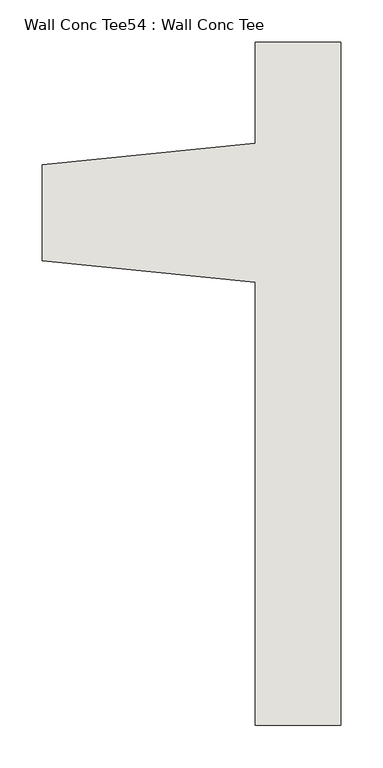
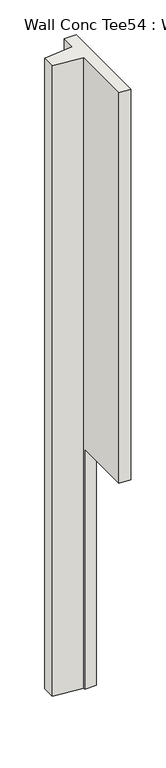
"""IFC4 building model written with IfcOpenShell, lengths in millimetres: wall geometry, Wall Conc Tee54 : Wall Conc Tee."""

from ifc_helpers import new_model, si_unit, origin, place, context, project, spatial, faceted_brep, source, transform, mapped, element, save


def wall_conc_tee54_wall_conc_tee_e5568f6d(model_context):
    return source(origin(), model_context, "Body", "Brep", [
        faceted_brep([(204051.6728488, 180328.0596581, 5884.1592564), (204051.6728488, 181140.8596581, 5884.1592564), (203950.0728488, 181140.8596581, 5884.1592564), (203950.0728488, 181020.2096581, 5884.1592564), (203696.0728488, 180994.8096581, 5884.1592564), (203696.0728488, 180880.5096581, 5884.1592564), (203950.0728488, 180855.1096581, 5884.1592564), (203950.0728488, 180328.0596581, 5884.1592564), (203950.0728488, 180855.1096581, 143.7592564), (203696.0728488, 180880.5096581, 143.7592564), (203696.0728488, 180994.8096581, 143.7592564), (203950.0728488, 181020.2096581, 143.7592564), (203950.0728488, 181140.8596581, 143.7592564), (204051.6728488, 181140.8596581, 143.7592564), (204051.6728488, 180840.8221581, 143.7592564), (203950.0728488, 180840.8221581, 143.7592564), (204051.6728488, 180328.0596581, 2328.1592564), (204051.6728488, 180840.8221581, 2328.1592564), (203950.0728488, 180840.8221581, 2328.1592564), (203950.0728488, 180328.0596581, 2328.1592564)], [[[0, 1, 2, 3, 4, 5, 6, 7]], [[8, 9, 10, 11, 12, 13, 14, 15]], [[1, 0, 16, 17, 14, 13]], [[3, 2, 12, 11]], [[4, 3, 11, 10]], [[5, 4, 10, 9]], [[6, 5, 9, 8]], [[7, 6, 8, 15, 18, 19]], [[0, 7, 19, 16]], [[2, 1, 13, 12]], [[17, 18, 15, 14]], [[18, 17, 16, 19]]]),
    ])


if __name__ == "__main__":
    model = new_model("IFC4")
    model_context = context("Model", 3, world=origin())
    ifc_project = project(units=[si_unit("LENGTHUNIT", "METRE", prefix="MILLI")], contexts=[model_context])
    site = spatial("IfcSite", under=ifc_project)
    building = spatial("IfcBuilding", under=site)
    placement = place(None, origin())
    wall_conc_tee54_wall_conc_tee_shape = wall_conc_tee54_wall_conc_tee_e5568f6d(model_context)
    element("IfcWall", 1, ObjectType="Wall Conc Tee54 : Wall Conc Tee", at=placement, inside=building, context=model_context, shape_type="MappedRepresentation", body=[
        mapped(wall_conc_tee54_wall_conc_tee_shape, transform((0.0, 0.0, 0.0), x_axis=(1.0, 0.0, 0.0), y_axis=(0.0, 1.0, 0.0), z_axis=(0.0, 0.0, 1.0))),
    ])
    save(model, "model.ifc")
